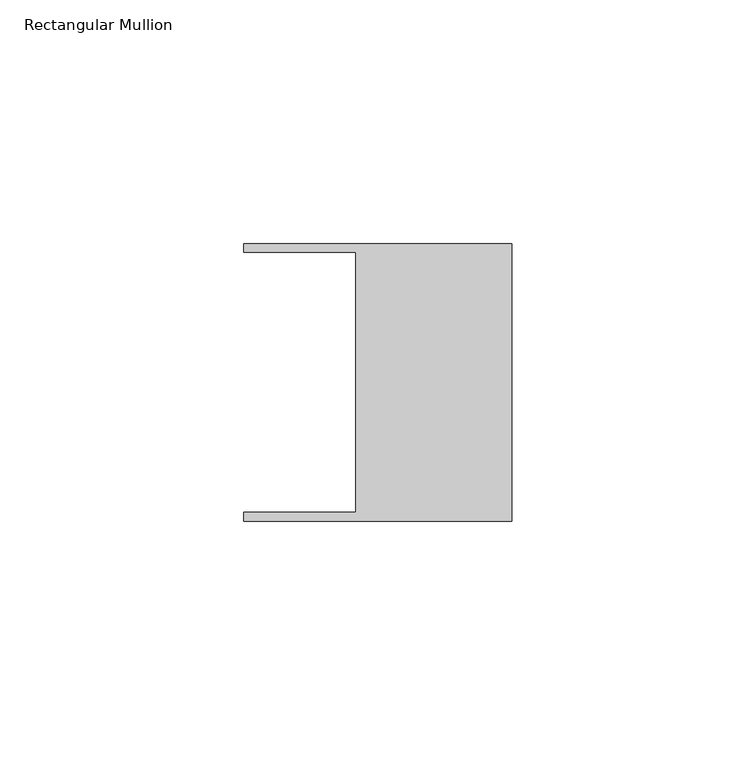
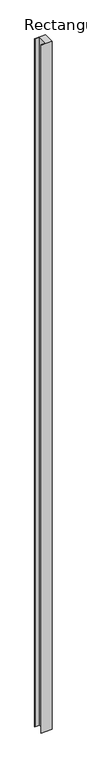
"""IFC4 building model written with IfcOpenShell, lengths in millimetres: member geometry, Rectangular Mullion."""

from ifc_helpers import new_model, si_unit, frame, origin, place, context, project, spatial, polyline, outline, extrude, source, transform, mapped, element, save


def rectangular_mullion_0872da00(model_context):
    return source(origin(), model_context, "Body", "SweptSolid", [
        extrude(outline(polyline([(-32.004, -26.67), (-32.004, 26.67), (-54.991, 26.67), (-54.991, 28.448), (0.0, 28.448), (0.0, -28.448), (-54.991, -28.448), (-54.991, -26.67), (-32.004, -26.67)])), frame((0.0, 0.0, -3643.3125094), z_axis=(0.0, 0.0, 1.0), x_axis=(1.0, 0.0, 0.0)), (0.0, 0.0, 1.0), 3643.3125094),
    ])


if __name__ == "__main__":
    model = new_model("IFC4")
    model_context = context("Model", 3, world=origin())
    ifc_project = project(units=[si_unit("LENGTHUNIT", "METRE", prefix="MILLI")], contexts=[model_context])
    site = spatial("IfcSite", under=ifc_project)
    building = spatial("IfcBuilding", under=site)
    placement = place(None, origin())
    rectangular_mullion_shape = rectangular_mullion_0872da00(model_context)
    element("IfcMember", 1, ObjectType="Rectangular Mullion", at=placement, inside=building, context=model_context, shape_type="MappedRepresentation", body=[
        mapped(rectangular_mullion_shape, transform((0.0, 0.0, 0.0), x_axis=(1.0, 0.0, 0.0), y_axis=(0.0, 1.0, 0.0), z_axis=(0.0, 0.0, 1.0))),
    ])
    save(model, "model.ifc")
